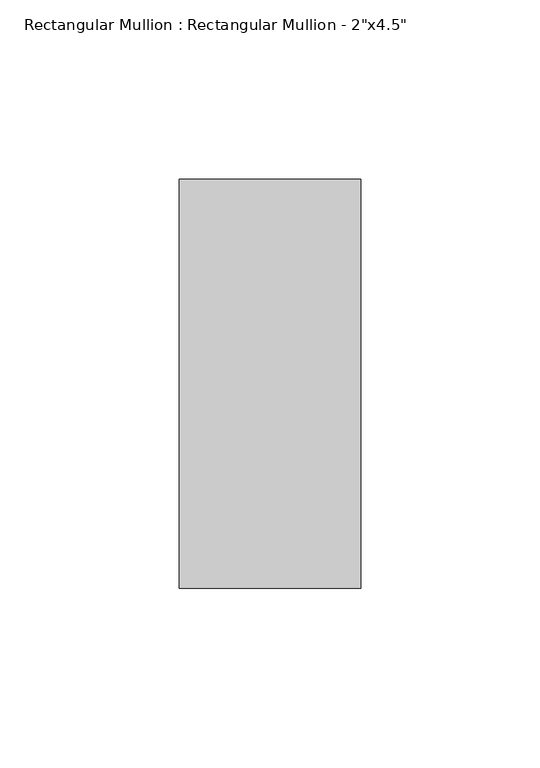
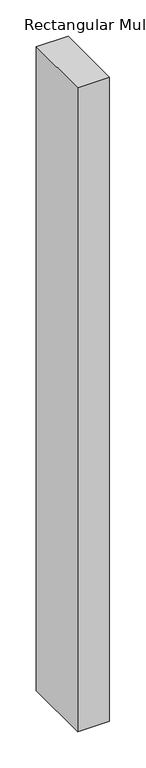
"""IFC4 building model written with IfcOpenShell, lengths in millimetres: member geometry."""

from ifc_helpers import new_model, si_unit, frame, origin, place, context, project, spatial, polyline, outline, extrude, source, transform, mapped, element, save


def member_c03bbf4b(model_context):
    return source(origin(), model_context, "Body", "SweptSolid", [
        extrude(outline(polyline([(25.4, 57.15), (25.4, -57.15), (-25.4, -57.15), (-25.4, 57.15), (25.4, 57.15)])), frame((0.0, 0.0, -1085.85), z_axis=(0.0, 0.0, 1.0), x_axis=(1.0, 0.0, 0.0)), (0.0, 0.0, 1.0), 1085.85),
    ])


if __name__ == "__main__":
    model = new_model("IFC4")
    model_context = context("Model", 3, world=origin())
    ifc_project = project(units=[si_unit("LENGTHUNIT", "METRE", prefix="MILLI")], contexts=[model_context])
    site = spatial("IfcSite", under=ifc_project)
    building = spatial("IfcBuilding", under=site)
    placement = place(None, origin())
    member_shape = member_c03bbf4b(model_context)
    element("IfcMember", 1, ObjectType="Rectangular Mullion : Rectangular Mullion - 2\"x4.5\"", at=placement, inside=building, context=model_context, shape_type="MappedRepresentation", body=[
        mapped(member_shape, transform((0.0, 0.0, 0.0), x_axis=(1.0, 0.0, 0.0), y_axis=(0.0, 1.0, 0.0), z_axis=(0.0, 0.0, 1.0))),
    ])
    save(model, "model.ifc")
